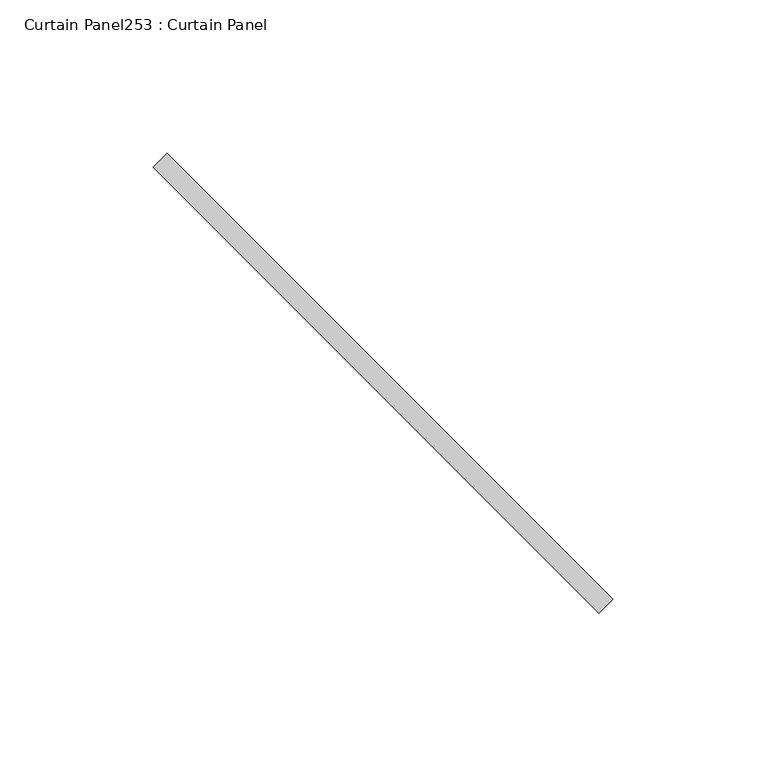
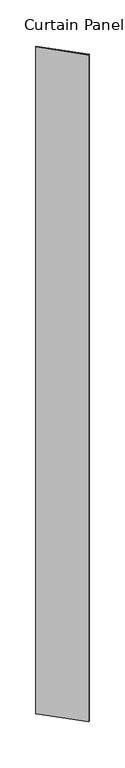
"""IFC4 building model written with IfcOpenShell, lengths in millimetres: plate geometry, Curtain Panel253 : Curtain Panel."""

from ifc_helpers import new_model, si_unit, frame, origin, place, context, project, spatial, polyline, outline, extrude, source, transform, mapped, element, save


def curtain_panel253_curtain_panel_d9b0813b(model_context):
    return source(origin(), model_context, "Body", "SweptSolid", [
        extrude(outline(polyline([(580847.7189298, 2625.129082), (580993.22267, 2479.6253418), (580988.7325419, 2475.1352137), (580843.2288017, 2620.638954), (580847.7189298, 2625.129082)])), frame((0.0, 0.0, 4959.7989371), z_axis=(0.0, 0.0, 1.0), x_axis=(1.0, 0.0, 0.0)), (0.0, 0.0, 1.0), 3048.0),
    ])


if __name__ == "__main__":
    model = new_model("IFC4")
    model_context = context("Model", 3, world=origin())
    ifc_project = project(units=[si_unit("LENGTHUNIT", "METRE", prefix="MILLI")], contexts=[model_context])
    site = spatial("IfcSite", under=ifc_project)
    building = spatial("IfcBuilding", under=site)
    placement = place(None, origin())
    curtain_panel253_curtain_panel_shape = curtain_panel253_curtain_panel_d9b0813b(model_context)
    element("IfcPlate", 1, ObjectType="Curtain Panel253 : Curtain Panel", at=placement, inside=building, context=model_context, shape_type="MappedRepresentation", body=[
        mapped(curtain_panel253_curtain_panel_shape, transform((0.0, 0.0, 0.0), x_axis=(1.0, 0.0, 0.0), y_axis=(0.0, 1.0, 0.0), z_axis=(0.0, 0.0, 1.0))),
    ])
    save(model, "model.ifc")
